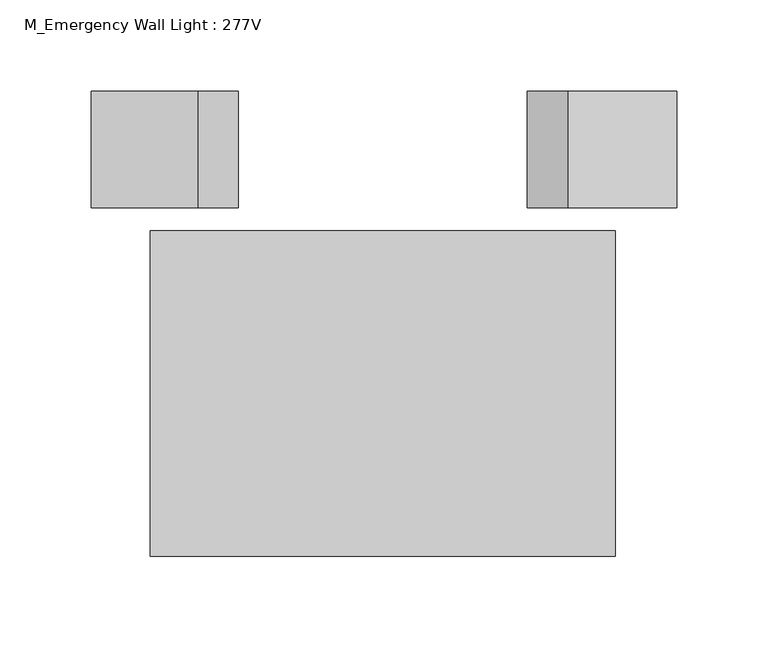
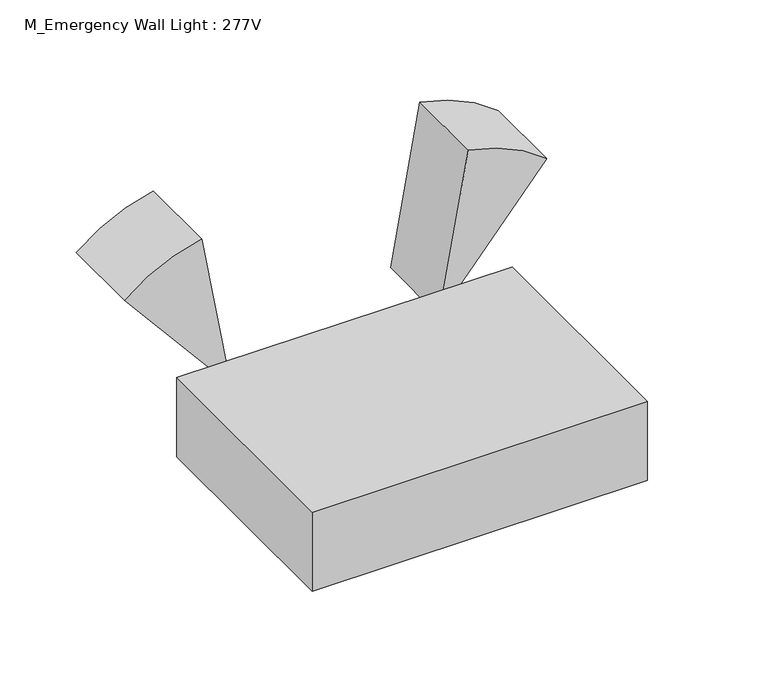
"""IFC4 building model written with IfcOpenShell, lengths in millimetres: light fixture geometry, M_Emergency Wall Light : 277V."""

from ifc_helpers import new_model, si_unit, point, frame, frame_2d, origin, origin_with_axes, place, context, project, spatial, polyline, circle_curve, trimmed, segment, composite_curve, outline, extrude, source, transform, mapped, element, save


def m_emergency_wall_light_277v_37438f40(model_context):
    return source(origin(), model_context, "Body", "SweptSolid", [
        extrude(outline(composite_curve([segment(polyline([(129.0379638, -159.2803489), (33.3375, -78.978125), (157.8249108, -100.9286143)]), True, "CONTINUOUS"), segment(trimmed(circle_curve(frame_2d((33.3375, -75.7913004)), 127.0), [point((157.8249108, -100.9286143))], [point((129.0379638, -159.2803489))], False, "CARTESIAN"), True, "CONTINUOUS")], self_intersect=False)), frame((0.0, 101.6, 0.0), z_axis=(0.0, 1.0, 0.0), x_axis=(0.0, 0.0, 1.0)), (0.0, 0.0, 1.0), 63.5),
        extrude(outline(composite_curve([segment(trimmed(circle_curve(frame_2d((33.3375, 78.978125)), 127.0), [point((130.6251443, 160.6121514))], [point((158.4080846, 101.0314436))], False, "CARTESIAN"), True, "CONTINUOUS"), segment(polyline([(158.4080846, 101.0314436), (33.3375, 78.978125), (130.6251443, 160.6121514)]), True, "CONTINUOUS")], self_intersect=False)), frame((0.0, 101.6, 0.0), z_axis=(0.0, 1.0, 0.0), x_axis=(0.0, 0.0, 1.0)), (0.0, 0.0, 1.0), 63.5),
        extrude(outline(polyline([(127.0, 88.9), (127.0, -88.9), (-127.0, -88.9), (-127.0, 88.9), (127.0, 88.9)])), origin_with_axes(), (0.0, 0.0, 1.0), 63.5),
    ])


if __name__ == "__main__":
    model = new_model("IFC4")
    model_context = context("Model", 3, world=origin())
    ifc_project = project(units=[si_unit("LENGTHUNIT", "METRE", prefix="MILLI")], contexts=[model_context])
    site = spatial("IfcSite", under=ifc_project)
    building = spatial("IfcBuilding", under=site)
    placement = place(None, origin())
    m_emergency_wall_light_277v_shape = m_emergency_wall_light_277v_37438f40(model_context)
    element("IfcLightFixture", 1, ObjectType="M_Emergency Wall Light : 277V", at=placement, inside=building, context=model_context, shape_type="MappedRepresentation", body=[
        mapped(m_emergency_wall_light_277v_shape, transform((0.0, 0.0, 0.0), x_axis=(1.0, 0.0, 0.0), y_axis=(0.0, 1.0, 0.0), z_axis=(0.0, 0.0, 1.0))),
    ])
    save(model, "model.ifc")
